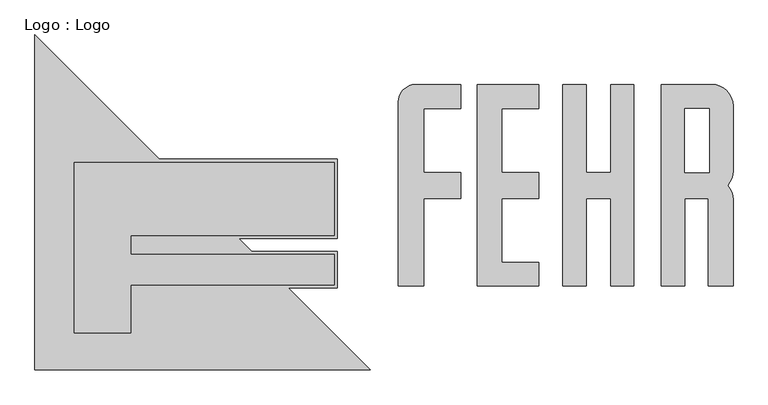
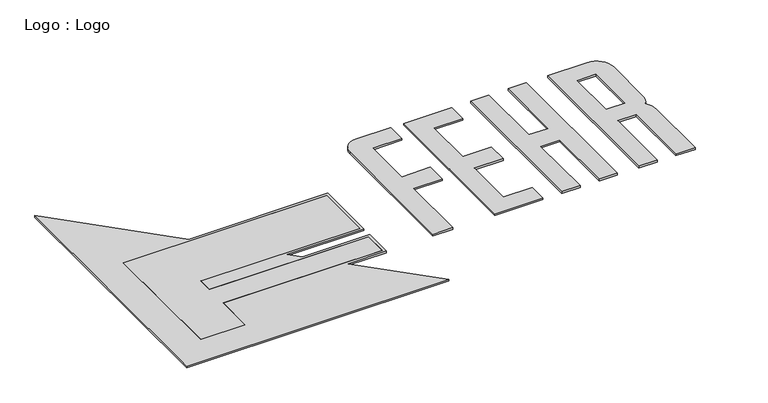
"""IFC4 building model written with IfcOpenShell, lengths in millimetres: proxy geometry, Logo : Logo."""

import ifcopenshell
import ifcopenshell.guid

model = None  # the IFC model being written
_history = None  # IfcOwnerHistory: only IFC2X3 demands one
_inside = {}  # id of a spatial element -> (the spatial element, [elements in it])
_under = {}  # id of a project, library or spatial element -> (it, [spatial elements below it])
_declared = {}  # id of a project -> (the project, [libraries it declares])
_typed = {}  # id of a type object -> (the type object, [elements of that type])
_made_of = {}  # id of a material, layer set ... -> (it, [elements and type objects made of it])


def new_model(schema):
    """Start an empty IFC model of exactly this schema.

    Asked for "IFC4X3", IfcOpenShell would pick the latest addendum, in which some entities
    have other attributes; the version numbers below select the first issue.
    IFC2X3 requires an IfcOwnerHistory on every rooted entity: one is made here for all.
    """
    global model, _history
    if schema == "IFC4X3":
        model = ifcopenshell.file(schema_version=(4, 3, 0, 0))
    else:
        model = ifcopenshell.file(schema=schema)
    _inside.clear()
    _under.clear()
    _declared.clear()
    _typed.clear()
    _made_of.clear()
    _history = None
    if model.schema == "IFC2X3":
        org = make("IfcOrganization", Name="unknown")
        user = make(
            "IfcPersonAndOrganization",
            ThePerson=make("IfcPerson", FamilyName="unknown"),
            TheOrganization=org,
        )
        app = make(
            "IfcApplication",
            ApplicationDeveloper=org,
            Version="unknown",
            ApplicationFullName="unknown",
            ApplicationIdentifier="unknown",
        )
        _history = make(
            "IfcOwnerHistory",
            OwningUser=user,
            OwningApplication=app,
            ChangeAction="ADDED",
            CreationDate=0,
        )
    return model


def make(cls, **values):
    """One entity of the class cls with the attributes given. An attribute that is None is left unset."""
    return model.create_entity(
        cls, **{name: value for name, value in values.items() if value is not None}
    )


def rooted(cls, **values):
    """An entity with a GlobalId (a new one), such as an element, a storey or a relation."""
    return make(cls, GlobalId=ifcopenshell.guid.new(), OwnerHistory=_history, **values)


def si_unit(unit_type, name, prefix=None):
    """IfcSIUnit, for example si_unit("LENGTHUNIT", "METRE", prefix="MILLI")."""
    return make("IfcSIUnit", UnitType=unit_type, Prefix=prefix, Name=name)


def assignment(units):
    """IfcUnitAssignment: the units of a project."""
    return None if units is None else make("IfcUnitAssignment", Units=units)


def point(xyz):
    """IfcCartesianPoint."""
    return None if xyz is None else make("IfcCartesianPoint", Coordinates=xyz)


def direction(xyz):
    """IfcDirection."""
    return None if xyz is None else make("IfcDirection", DirectionRatios=xyz)


def frame(location, z_axis=None, x_axis=None):
    """IfcAxis2Placement3D, a coordinate frame: its origin and axes. An axis left out is left unset."""
    return make(
        "IfcAxis2Placement3D",
        Location=point(location),
        Axis=direction(z_axis),
        RefDirection=direction(x_axis),
    )


def frame_2d(location, x_axis=None):
    """IfcAxis2Placement2D, a coordinate frame in the plane: its origin and x axis."""
    return make(
        "IfcAxis2Placement2D", Location=point(location), RefDirection=direction(x_axis)
    )


def origin():
    """The frame at (0, 0, 0) with its axes left unset."""
    return frame((0.0, 0.0, 0.0))


def origin_with_axes():
    """The frame at (0, 0, 0) with the z axis (0, 0, 1) and the x axis (1, 0, 0) written out."""
    return frame((0.0, 0.0, 0.0), z_axis=(0.0, 0.0, 1.0), x_axis=(1.0, 0.0, 0.0))


def place(relative_to, where):
    """IfcLocalPlacement: puts the frame where relative to a parent placement (None: the world)."""
    return make(
        "IfcLocalPlacement", PlacementRelTo=relative_to, RelativePlacement=where
    )


def context(
    kind, dimensions, precision=None, world=None, true_north=None, identifier=None
):
    """IfcGeometricRepresentationContext, for example the 3D "Model" context."""
    return make(
        "IfcGeometricRepresentationContext",
        ContextIdentifier=identifier,
        ContextType=kind,
        CoordinateSpaceDimension=dimensions,
        Precision=precision,
        WorldCoordinateSystem=world,
        TrueNorth=true_north,
    )


def project(units=None, contexts=None):
    """IfcProject with its units and contexts."""
    return rooted(
        "IfcProject",
        Name="project",
        RepresentationContexts=contexts,
        UnitsInContext=assignment(units),
    )


def spatial(cls, under=None, at=None, **own):
    """A site, building, storey or space (cls), placed at a placement, below another one or the project."""
    s = rooted(cls, ObjectPlacement=at, **own)
    if under is not None:
        _under.setdefault(under.id(), (under, []))[1].append(s)
    return s


def polyline(points):
    """IfcPolyline through the points."""
    return make("IfcPolyline", Points=[point(p) for p in points])


def circle_curve(where, radius):
    """IfcCircle in the frame where."""
    return make("IfcCircle", Position=where, Radius=radius)


def trimmed(basis, trim1, trim2, sense, master):
    """IfcTrimmedCurve: the piece of a basis curve between two trims."""
    return make(
        "IfcTrimmedCurve",
        BasisCurve=basis,
        Trim1=trim1,
        Trim2=trim2,
        SenseAgreement=sense,
        MasterRepresentation=master,
    )


def segment(curve, same_sense, transition):
    """IfcCompositeCurveSegment."""
    return make(
        "IfcCompositeCurveSegment",
        Transition=transition,
        SameSense=same_sense,
        ParentCurve=curve,
    )


def composite_curve(segments, self_intersect=None):
    """IfcCompositeCurve: segments joined end to end."""
    return make("IfcCompositeCurve", Segments=segments, SelfIntersect=self_intersect)


def outline(outer, holes=None, kind="AREA"):
    """IfcArbitraryClosedProfileDef: a profile drawn as a closed curve; with holes, ...WithVoids."""
    if holes is None:
        return make("IfcArbitraryClosedProfileDef", ProfileType=kind, OuterCurve=outer)
    return make(
        "IfcArbitraryProfileDefWithVoids",
        ProfileType=kind,
        OuterCurve=outer,
        InnerCurves=holes,
    )


def extrude(swept, where, along, depth):
    """IfcExtrudedAreaSolid: the profile swept, set in the frame where, extruded along a direction by depth."""
    return make(
        "IfcExtrudedAreaSolid",
        SweptArea=swept,
        Position=where,
        ExtrudedDirection=direction(along),
        Depth=depth,
    )


def shape(context_of_items, identifier, shape_type, items):
    """IfcShapeRepresentation: the items that make up one representation, for example the "Body"."""
    return make(
        "IfcShapeRepresentation",
        ContextOfItems=context_of_items,
        RepresentationIdentifier=identifier,
        RepresentationType=shape_type,
        Items=items,
    )


def source(mapping_origin, context_of_items, identifier, shape_type, items):
    """IfcRepresentationMap: a shape defined once, which mapped items show again and again."""
    return make(
        "IfcRepresentationMap",
        MappingOrigin=mapping_origin,
        MappedRepresentation=shape(context_of_items, identifier, shape_type, items),
    )


def transform(
    local_origin,
    x_axis=None,
    y_axis=None,
    z_axis=None,
    scale=None,
    scale2=None,
    scale3=None,
    uniform=True,
):
    """IfcCartesianTransformationOperator3D, or its non-uniform kind. x_axis, y_axis, z_axis: its Axis1, 2, 3."""
    if uniform:
        return make(
            "IfcCartesianTransformationOperator3D",
            Axis1=direction(x_axis),
            Axis2=direction(y_axis),
            LocalOrigin=point(local_origin),
            Scale=scale,
            Axis3=direction(z_axis),
        )
    return make(
        "IfcCartesianTransformationOperator3DnonUniform",
        Axis1=direction(x_axis),
        Axis2=direction(y_axis),
        LocalOrigin=point(local_origin),
        Scale=scale,
        Axis3=direction(z_axis),
        Scale2=scale2,
        Scale3=scale3,
    )


def mapped(mapping_source, mapping_target):
    """IfcMappedItem: shows the shape of a source again, moved by a transform."""
    return make(
        "IfcMappedItem", MappingSource=mapping_source, MappingTarget=mapping_target
    )


def made_of(thing, what):
    """Note that an element or type object is made of a material, layer set ...; save() writes the relation."""
    if what is not None:
        _made_of.setdefault(what.id(), (what, []))[1].append(thing)
    return thing


def element(
    cls,
    number,
    at=None,
    inside=None,
    cuts=None,
    type_object=None,
    material=None,
    context=None,
    identifier="Body",
    shape_type=None,
    held_by="IfcProductDefinitionShape",
    body=None,
    shapes=None,
    **own,
):
    """One element of the class cls, such as IfcWall. Its Tag is "e" and its number.

    at: its placement. inside: the storey or other place that contains it. cuts: it is an
    opening in that element (IfcRelVoidsElement). A single representation is given by context,
    identifier, shape_type and body (its items); several are given by shapes. held_by: the class
    of the entity that holds the representations. save() writes the other relations.
    """
    e = rooted(cls, Tag="e%d" % number, ObjectPlacement=at, **own)
    if body is not None:
        shapes = [shape(context, identifier, shape_type, body)]
    if shapes is not None:
        e.Representation = make(held_by, Representations=shapes)
    if inside is not None:
        _inside.setdefault(inside.id(), (inside, []))[1].append(e)
    if cuts is not None:
        rooted(
            "IfcRelVoidsElement", RelatingBuildingElement=cuts, RelatedOpeningElement=e
        )
    if type_object is not None:
        _typed.setdefault(type_object.id(), (type_object, []))[1].append(e)
    return made_of(e, material)


def aggregate(whole, parts):
    """IfcRelAggregates: a whole, such as a stair, and the parts it consists of."""
    return rooted("IfcRelAggregates", RelatingObject=whole, RelatedObjects=parts)


def save(model, path):
    """Write the relations noted so far, then the file.

    IfcRelAggregates (storeys below a building ...), IfcRelContainedInSpatialStructure (elements
    in a storey), IfcRelDefinesByType, IfcRelAssociatesMaterial and IfcRelDeclares: one each for
    every whole, place, type object, material and project.
    """
    for whole, parts in _under.values():
        aggregate(whole, parts)
    for where, things in _inside.values():
        rooted(
            "IfcRelContainedInSpatialStructure",
            RelatedElements=things,
            RelatingStructure=where,
        )
    for kind, things in _typed.values():
        rooted("IfcRelDefinesByType", RelatedObjects=things, RelatingType=kind)
    for what, things in _made_of.values():
        rooted("IfcRelAssociatesMaterial", RelatedObjects=things, RelatingMaterial=what)
    for by, libraries in _declared.values():
        rooted("IfcRelDeclares", RelatingContext=by, RelatedDefinitions=libraries)
    model.write(path)


def logo_logo_c2bd588c(model_context):
    return source(origin(), model_context, "Body", "SweptSolid", [
        extrude(outline(composite_curve([segment(polyline([(6478.7070802, 4861.774414), (7238.9714401, 4861.774414), (7238.9714401, 4449.7838249), (6610.6778937, 4449.7838249), (6610.6778937, 3360.9515828), (7238.9714401, 3360.9515828), (7238.9714401, 2919.5331326), (6610.6778937, 2919.5331326), (6610.6778937, 1431.1472034), (6178.7260495, 1431.1472034), (6178.7260495, 4561.7933834)]), True, "CONTINUOUS"), segment(trimmed(circle_curve(frame_2d((6478.7070802, 4561.7933834)), 299.9810306), [point((6178.7260495, 4561.7933834))], [point((6478.7070802, 4861.774414))], False, "CARTESIAN"), True, "CONTINUOUS")], self_intersect=False)), origin_with_axes(), (0.0, 0.0, 1.0), 40.0),
        extrude(outline(composite_curve([segment(polyline([(11872.6365926, 4497.6557983), (11872.6365926, 3390.7711107)]), True, "CONTINUOUS"), segment(trimmed(circle_curve(frame_2d((11508.5179768, 3390.7711107)), 364.1186157), [point((11872.6365926, 3390.7711107))], [point((11777.5789132, 3145.4375034))], False, "CARTESIAN"), True, "CONTINUOUS"), segment(trimmed(circle_curve(frame_2d((11508.5179768, 2900.1038961)), 364.1186157), [point((11777.5789132, 3145.4375034))], [point((11872.6365926, 2900.1038961))], False, "CARTESIAN"), True, "CONTINUOUS"), segment(polyline([(11872.6365926, 2900.1038961), (11872.6365926, 1431.1472034), (11450.5018738, 1431.1472034), (11450.5018738, 2919.5331326), (11054.2480485, 2919.5331326), (11054.2480485, 1431.1472034), (10648.4938731, 1431.1472034), (10648.4938731, 4861.774414), (11508.5179768, 4861.774414)]), True, "CONTINUOUS"), segment(trimmed(circle_curve(frame_2d((11508.5179768, 4497.6557983)), 364.1186157), [point((11508.5179768, 4861.774414))], [point((11872.6365926, 4497.6557983))], False, "CARTESIAN"), True, "CONTINUOUS")], self_intersect=False), holes=[polyline([(11054.2480485, 4449.7838249), (11054.2480485, 3360.9515828), (11463.2144082, 3360.9515828), (11463.2144082, 4449.7838249), (11054.2480485, 4449.7838249)])]), origin_with_axes(), (0.0, 0.0, 1.0), 40.0),
        extrude(outline(polyline([(9373.3243423, 4861.774414), (9373.3243423, 3360.9515828), (9794.8756351, 3360.9515828), (9794.8756351, 4861.774414), (10185.8773894, 4861.774414), (10185.8773894, 1431.1472034), (9794.8756351, 1431.1472034), (9794.8756351, 2919.5331326), (9373.3243423, 2919.5331326), (9373.3243423, 1431.1472034), (8975.4355258, 1431.1472034), (8975.4355258, 4861.774414), (9373.3243423, 4861.774414)])), origin_with_axes(), (0.0, 0.0, 1.0), 40.0),
        extrude(outline(polyline([(8564.2782247, 4861.774414), (8564.2782247, 4449.7838249), (7935.9846164, 4449.7838249), (7935.9846164, 3360.9515828), (8564.2782247, 3360.9515828), (8564.2782247, 2919.5331326), (7935.9846164, 2919.5331326), (7935.9846164, 1830.7008905), (8564.2782247, 1830.7008905), (8564.2782247, 1431.1472034), (7523.6669611, 1431.1472034), (7523.6669611, 4861.774414), (8564.2782247, 4861.774414)])), origin_with_axes(), (0.0, 0.0, 1.0), 40.0),
        extrude(outline(polyline([(3463.7482163, 2238.3183927), (3683.5176846, 2018.283471), (5140.1583237, 2018.283471), (5140.1583237, 1394.3821867), (4306.6662852, 1394.3821867), (5699.3662687, 0.0), (0.0, 0.0), (0.0, 5706.2503734), (2115.2980245, 3588.3973398), (5140.1583237, 3588.3973398), (5140.1583237, 2238.3183927), (3463.7482163, 2238.3183927)]), holes=[polyline([(667.1710757, 3534.8612648), (667.1710757, 630.1506139), (1629.629316, 630.1506139), (1629.629316, 1447.9182617), (5086.6222487, 1447.9182617), (5086.6222487, 1964.747396), (1629.629316, 1964.747396), (1629.629316, 2291.8544677), (5086.6222487, 2291.8544677), (5086.6222487, 3534.8612648), (667.1710757, 3534.8612648)])]), origin_with_axes(), (0.0, 0.0, 1.0), 40.0),
        extrude(outline(polyline([(667.1710757, 3534.8612648), (5086.6222487, 3534.8612648), (5086.6222487, 2291.8544677), (1629.629316, 2291.8544677), (1629.629316, 1964.747396), (5086.6222487, 1964.747396), (5086.6222487, 1447.9182617), (1629.629316, 1447.9182617), (1629.629316, 630.1506139), (667.1710757, 630.1506139), (667.1710757, 3534.8612648)])), origin_with_axes(), (0.0, 0.0, 1.0), 40.0),
    ])


if __name__ == "__main__":
    model = new_model("IFC4")
    model_context = context("Model", 3, world=origin())
    ifc_project = project(units=[si_unit("LENGTHUNIT", "METRE", prefix="MILLI")], contexts=[model_context])
    site = spatial("IfcSite", under=ifc_project)
    building = spatial("IfcBuilding", under=site)
    placement = place(None, origin())
    logo_logo_shape = logo_logo_c2bd588c(model_context)
    element("IfcBuildingElementProxy", 1, Name="Logo : Logo", ObjectType="Logo : Logo", at=placement, inside=building, context=model_context, shape_type="MappedRepresentation", body=[
        mapped(logo_logo_shape, transform((0.0, 0.0, 0.0), x_axis=(1.0, 0.0, 0.0), y_axis=(0.0, 1.0, 0.0), z_axis=(0.0, 0.0, 1.0))),
    ])
    save(model, "model.ifc")
